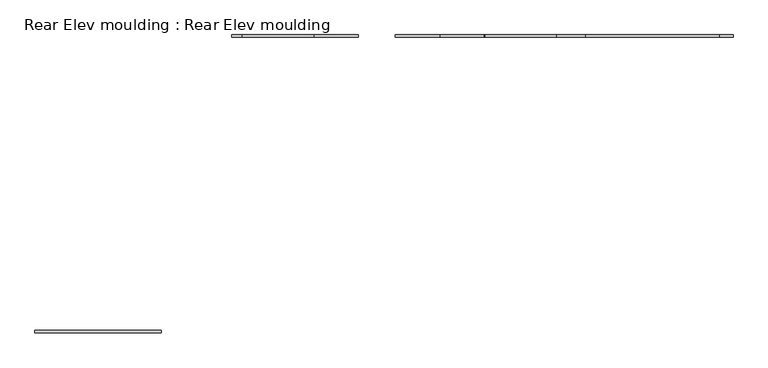
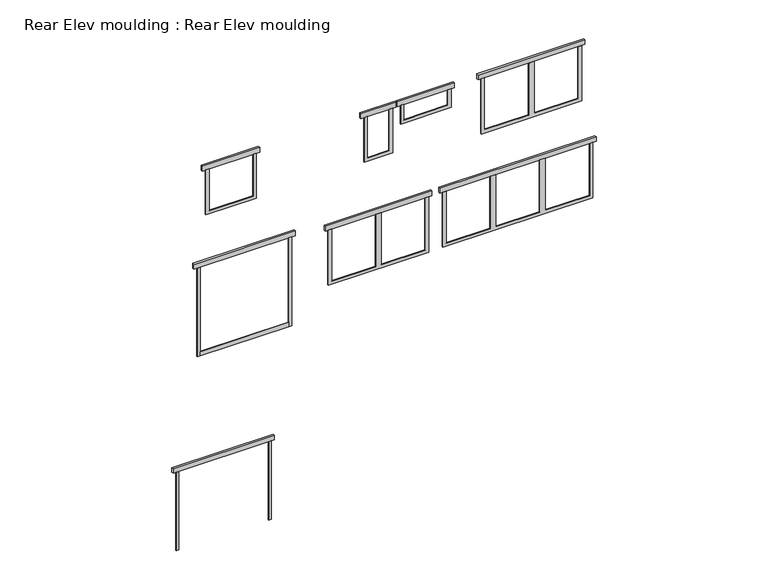
"""IFC4 building model written with IfcOpenShell, lengths in millimetres: proxy geometry, Rear Elev moulding : Rear Elev moulding."""

from ifc_helpers import new_model, si_unit, frame, origin, place, context, project, spatial, polyline, outline, extrude, source, transform, mapped, element, save


def rear_elev_moulding_rear_elev_moulding_bec02cb2(model_context):
    return source(origin(), model_context, "Body", "SweptSolid", [
        extrude(outline(polyline([(5099.05, 17856.2), (5162.55, 17856.2), (5162.55, 17830.8), (5099.05, 17830.8), (5099.05, 17856.2)])), frame((0.0, 0.0, -304.8), z_axis=(0.0, 0.0, 1.0), x_axis=(1.0, 0.0, 0.0)), (0.0, 0.0, 1.0), 2286.0),
        extrude(outline(polyline([(2546.35, 17856.2), (2609.85, 17856.2), (2609.85, 17830.8), (2546.35, 17830.8), (2546.35, 17856.2)])), frame((0.0, 0.0, -304.8), z_axis=(0.0, 0.0, 1.0), x_axis=(1.0, 0.0, 0.0)), (0.0, 0.0, 1.0), 2286.0),
        extrude(outline(polyline([(2457.45, 17881.6), (5251.45, 17881.6), (5251.45, 17830.8), (2457.45, 17830.8), (2457.45, 17881.6)])), frame((0.0, 0.0, 1981.2), z_axis=(0.0, 0.0, 1.0), x_axis=(1.0, 0.0, 0.0)), (0.0, 0.0, 1.0), 139.7),
        extrude(outline(polyline([(6997.7, 24396.7), (9436.1, 24396.7), (9436.1, 24384.0), (6997.7, 24384.0), (6997.7, 24396.7)])), frame((0.0, 0.0, -152.4), z_axis=(0.0, 0.0, 1.0), x_axis=(1.0, 0.0, 0.0)), (0.0, 0.0, 1.0), 127.0),
        extrude(outline(polyline([(5222.875, 17519.65), (5222.875, 17430.75), (3698.875, 17430.75), (3698.875, 16211.55), (5222.875, 16211.55), (5222.875, 16059.15), (3698.875, 16059.15), (3698.875, 14839.95), (5222.875, 14839.95), (5222.875, 14751.05), (3609.975, 14751.05), (3609.975, 17519.65), (5222.875, 17519.65)])), frame((0.0, 24384.0, 0.0), z_axis=(0.0, 1.0, 0.0), x_axis=(0.0, 0.0, 1.0)), (0.0, 0.0, 1.0), 25.4),
        extrude(outline(polyline([(4676.775, 13919.2), (5222.875, 13919.2), (5222.875, 13830.3), (4765.675, 13830.3), (4765.675, 12611.1), (5222.875, 12611.1), (5222.875, 12522.2), (4676.775, 12522.2), (4676.775, 13919.2)])), frame((0.0, 24384.0, 0.0), z_axis=(0.0, 1.0, 0.0), x_axis=(0.0, 0.0, 1.0)), (0.0, 0.0, 1.0), 25.4),
        extrude(outline(polyline([(3914.775, 12306.3), (5222.875, 12306.3), (5222.875, 12217.4), (4003.675, 12217.4), (4003.675, 11607.8), (5222.875, 11607.8), (5222.875, 11518.9), (3914.775, 11518.9), (3914.775, 12306.3)])), frame((0.0, 24384.0, 0.0), z_axis=(0.0, 1.0, 0.0), x_axis=(0.0, 0.0, 1.0)), (0.0, 0.0, 1.0), 25.4),
        extrude(outline(polyline([(5222.875, 8540.75), (5222.875, 8451.85), (4003.675, 8451.85), (4003.675, 7239.0), (5222.875, 7239.0), (5222.875, 7150.1), (3914.775, 7150.1), (3914.775, 8540.75), (5222.875, 8540.75)])), frame((0.0, 24384.0, 0.0), z_axis=(0.0, 1.0, 0.0), x_axis=(0.0, 0.0, 1.0)), (0.0, 0.0, 1.0), 25.4),
        extrude(outline(polyline([(2286.0, 13296.9), (2286.0, 13208.0), (762.0, 13208.0), (762.0, 11988.8), (2286.0, 11988.8), (2286.0, 11836.4), (762.0, 11836.4), (762.0, 10617.2), (2286.0, 10617.2), (2286.0, 10528.3), (673.1, 10528.3), (673.1, 13296.9), (2286.0, 13296.9)])), frame((0.0, 24384.0, 0.0), z_axis=(0.0, 1.0, 0.0), x_axis=(0.0, 0.0, 1.0)), (0.0, 0.0, 1.0), 25.4),
        extrude(outline(polyline([(673.1, 17830.8), (2286.0, 17830.8), (2286.0, 17741.9), (762.0, 17741.9), (762.0, 16522.7), (2286.0, 16522.7), (2286.0, 16370.3), (762.0, 16370.3), (762.0, 15151.1), (2286.0, 15151.1), (2286.0, 14998.7), (762.0, 14998.7), (762.0, 13779.5), (2286.0, 13779.5), (2286.0, 13690.6), (673.1, 13690.6), (673.1, 17830.8)])), frame((0.0, 24384.0, 0.0), z_axis=(0.0, 1.0, 0.0), x_axis=(0.0, 0.0, 1.0)), (0.0, 0.0, 1.0), 25.4),
        extrude(outline(polyline([(9436.1, 24409.4), (9525.0, 24409.4), (9525.0, 24384.0), (9436.1, 24384.0), (9436.1, 24409.4)])), frame((0.0, 0.0, -152.4), z_axis=(0.0, 0.0, 1.0), x_axis=(1.0, 0.0, 0.0)), (0.0, 0.0, 1.0), 2590.8),
        extrude(outline(polyline([(6908.8, 24409.4), (6997.7, 24409.4), (6997.7, 24384.0), (6908.8, 24384.0), (6908.8, 24409.4)])), frame((0.0, 0.0, -152.4), z_axis=(0.0, 0.0, 1.0), x_axis=(1.0, 0.0, 0.0)), (0.0, 0.0, 1.0), 2590.8),
        extrude(outline(polyline([(14662.15, 24434.8), (17608.55, 24434.8), (17608.55, 24384.0), (14662.15, 24384.0), (14662.15, 24434.8)])), frame((0.0, 0.0, 5222.875), z_axis=(0.0, 0.0, 1.0), x_axis=(1.0, 0.0, 0.0)), (0.0, 0.0, 1.0), 139.7),
        extrude(outline(polyline([(12433.3, 24434.8), (14008.1, 24434.8), (14008.1, 24384.0), (12433.3, 24384.0), (12433.3, 24434.8)])), frame((0.0, 0.0, 5222.875), z_axis=(0.0, 0.0, 1.0), x_axis=(1.0, 0.0, 0.0)), (0.0, 0.0, 1.0), 139.7),
        extrude(outline(polyline([(11430.0, 24434.8), (12395.2, 24434.8), (12395.2, 24384.0), (11430.0, 24384.0), (11430.0, 24434.8)])), frame((0.0, 0.0, 5222.875), z_axis=(0.0, 0.0, 1.0), x_axis=(1.0, 0.0, 0.0)), (0.0, 0.0, 1.0), 139.7),
        extrude(outline(polyline([(7054.85, 24434.8), (8629.65, 24434.8), (8629.65, 24384.0), (7054.85, 24384.0), (7054.85, 24434.8)])), frame((0.0, 0.0, 5222.875), z_axis=(0.0, 0.0, 1.0), x_axis=(1.0, 0.0, 0.0)), (0.0, 0.0, 1.0), 139.7),
        extrude(outline(polyline([(13601.7, 24434.8), (17919.7, 24434.8), (17919.7, 24384.0), (13601.7, 24384.0), (13601.7, 24434.8)])), frame((0.0, 0.0, 2286.0), z_axis=(0.0, 0.0, 1.0), x_axis=(1.0, 0.0, 0.0)), (0.0, 0.0, 1.0), 139.7),
        extrude(outline(polyline([(10439.4, 24434.8), (13385.8, 24434.8), (13385.8, 24384.0), (10439.4, 24384.0), (10439.4, 24434.8)])), frame((0.0, 0.0, 2286.0), z_axis=(0.0, 0.0, 1.0), x_axis=(1.0, 0.0, 0.0)), (0.0, 0.0, 1.0), 139.7),
        extrude(outline(polyline([(6819.9, 24434.8), (9613.9, 24434.8), (9613.9, 24384.0), (6819.9, 24384.0), (6819.9, 24434.8)])), frame((0.0, 0.0, 2438.4), z_axis=(0.0, 0.0, 1.0), x_axis=(1.0, 0.0, 0.0)), (0.0, 0.0, 1.0), 139.7),
    ])


if __name__ == "__main__":
    model = new_model("IFC4")
    model_context = context("Model", 3, world=origin())
    ifc_project = project(units=[si_unit("LENGTHUNIT", "METRE", prefix="MILLI")], contexts=[model_context])
    site = spatial("IfcSite", under=ifc_project)
    building = spatial("IfcBuilding", under=site)
    placement = place(None, origin())
    rear_elev_moulding_rear_elev_moulding_shape = rear_elev_moulding_rear_elev_moulding_bec02cb2(model_context)
    element("IfcBuildingElementProxy", 1, Name="Rear Elev moulding : Rear Elev moulding", ObjectType="Rear Elev moulding : Rear Elev moulding", at=placement, inside=building, context=model_context, shape_type="MappedRepresentation", body=[
        mapped(rear_elev_moulding_rear_elev_moulding_shape, transform((0.0, 0.0, 0.0), x_axis=(1.0, 0.0, 0.0), y_axis=(0.0, 1.0, 0.0), z_axis=(0.0, 0.0, 1.0))),
    ])
    save(model, "model.ifc")
